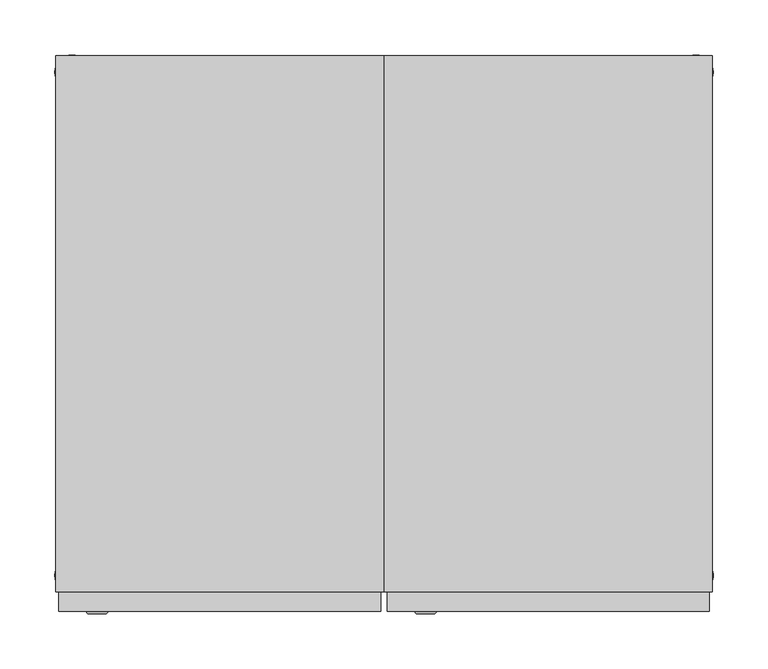
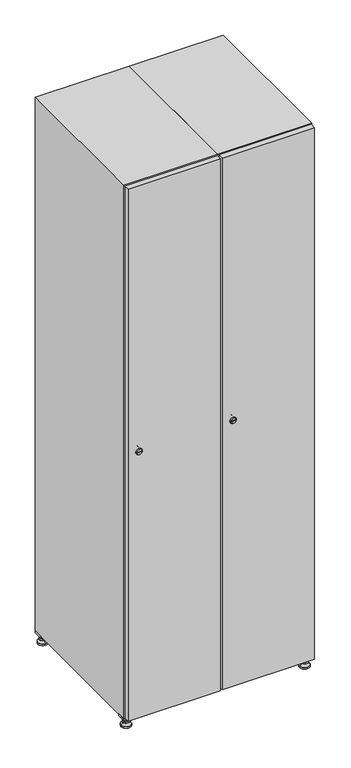
"""IFC4 building model written with IfcOpenShell, lengths in millimetres: furniture geometry."""

import ifcopenshell
import ifcopenshell.guid

model = None  # the IFC model being written
_history = None  # IfcOwnerHistory: only IFC2X3 demands one
_inside = {}  # id of a spatial element -> (the spatial element, [elements in it])
_under = {}  # id of a project, library or spatial element -> (it, [spatial elements below it])
_declared = {}  # id of a project -> (the project, [libraries it declares])
_typed = {}  # id of a type object -> (the type object, [elements of that type])
_made_of = {}  # id of a material, layer set ... -> (it, [elements and type objects made of it])


def new_model(schema):
    """Start an empty IFC model of exactly this schema.

    Asked for "IFC4X3", IfcOpenShell would pick the latest addendum, in which some entities
    have other attributes; the version numbers below select the first issue.
    IFC2X3 requires an IfcOwnerHistory on every rooted entity: one is made here for all.
    """
    global model, _history
    if schema == "IFC4X3":
        model = ifcopenshell.file(schema_version=(4, 3, 0, 0))
    else:
        model = ifcopenshell.file(schema=schema)
    _inside.clear()
    _under.clear()
    _declared.clear()
    _typed.clear()
    _made_of.clear()
    _history = None
    if model.schema == "IFC2X3":
        org = make("IfcOrganization", Name="unknown")
        user = make(
            "IfcPersonAndOrganization",
            ThePerson=make("IfcPerson", FamilyName="unknown"),
            TheOrganization=org,
        )
        app = make(
            "IfcApplication",
            ApplicationDeveloper=org,
            Version="unknown",
            ApplicationFullName="unknown",
            ApplicationIdentifier="unknown",
        )
        _history = make(
            "IfcOwnerHistory",
            OwningUser=user,
            OwningApplication=app,
            ChangeAction="ADDED",
            CreationDate=0,
        )
    return model


def make(cls, **values):
    """One entity of the class cls with the attributes given. An attribute that is None is left unset."""
    return model.create_entity(
        cls, **{name: value for name, value in values.items() if value is not None}
    )


def rooted(cls, **values):
    """An entity with a GlobalId (a new one), such as an element, a storey or a relation."""
    return make(cls, GlobalId=ifcopenshell.guid.new(), OwnerHistory=_history, **values)


def si_unit(unit_type, name, prefix=None):
    """IfcSIUnit, for example si_unit("LENGTHUNIT", "METRE", prefix="MILLI")."""
    return make("IfcSIUnit", UnitType=unit_type, Prefix=prefix, Name=name)


def assignment(units):
    """IfcUnitAssignment: the units of a project."""
    return None if units is None else make("IfcUnitAssignment", Units=units)


def point(xyz):
    """IfcCartesianPoint."""
    return None if xyz is None else make("IfcCartesianPoint", Coordinates=xyz)


def direction(xyz):
    """IfcDirection."""
    return None if xyz is None else make("IfcDirection", DirectionRatios=xyz)


def frame(location, z_axis=None, x_axis=None):
    """IfcAxis2Placement3D, a coordinate frame: its origin and axes. An axis left out is left unset."""
    return make(
        "IfcAxis2Placement3D",
        Location=point(location),
        Axis=direction(z_axis),
        RefDirection=direction(x_axis),
    )


def frame_2d(location, x_axis=None):
    """IfcAxis2Placement2D, a coordinate frame in the plane: its origin and x axis."""
    return make(
        "IfcAxis2Placement2D", Location=point(location), RefDirection=direction(x_axis)
    )


def origin():
    """The frame at (0, 0, 0) with its axes left unset."""
    return frame((0.0, 0.0, 0.0))


def origin_with_axes():
    """The frame at (0, 0, 0) with the z axis (0, 0, 1) and the x axis (1, 0, 0) written out."""
    return frame((0.0, 0.0, 0.0), z_axis=(0.0, 0.0, 1.0), x_axis=(1.0, 0.0, 0.0))


def place(relative_to, where):
    """IfcLocalPlacement: puts the frame where relative to a parent placement (None: the world)."""
    return make(
        "IfcLocalPlacement", PlacementRelTo=relative_to, RelativePlacement=where
    )


def context(
    kind, dimensions, precision=None, world=None, true_north=None, identifier=None
):
    """IfcGeometricRepresentationContext, for example the 3D "Model" context."""
    return make(
        "IfcGeometricRepresentationContext",
        ContextIdentifier=identifier,
        ContextType=kind,
        CoordinateSpaceDimension=dimensions,
        Precision=precision,
        WorldCoordinateSystem=world,
        TrueNorth=true_north,
    )


def project(units=None, contexts=None):
    """IfcProject with its units and contexts."""
    return rooted(
        "IfcProject",
        Name="project",
        RepresentationContexts=contexts,
        UnitsInContext=assignment(units),
    )


def spatial(cls, under=None, at=None, **own):
    """A site, building, storey or space (cls), placed at a placement, below another one or the project."""
    s = rooted(cls, ObjectPlacement=at, **own)
    if under is not None:
        _under.setdefault(under.id(), (under, []))[1].append(s)
    return s


def polyline(points):
    """IfcPolyline through the points."""
    return make("IfcPolyline", Points=[point(p) for p in points])


def circle_curve(where, radius):
    """IfcCircle in the frame where."""
    return make("IfcCircle", Position=where, Radius=radius)


def trimmed(basis, trim1, trim2, sense, master):
    """IfcTrimmedCurve: the piece of a basis curve between two trims."""
    return make(
        "IfcTrimmedCurve",
        BasisCurve=basis,
        Trim1=trim1,
        Trim2=trim2,
        SenseAgreement=sense,
        MasterRepresentation=master,
    )


def segment(curve, same_sense, transition):
    """IfcCompositeCurveSegment."""
    return make(
        "IfcCompositeCurveSegment",
        Transition=transition,
        SameSense=same_sense,
        ParentCurve=curve,
    )


def composite_curve(segments, self_intersect=None):
    """IfcCompositeCurve: segments joined end to end."""
    return make("IfcCompositeCurve", Segments=segments, SelfIntersect=self_intersect)


def outline(outer, holes=None, kind="AREA"):
    """IfcArbitraryClosedProfileDef: a profile drawn as a closed curve; with holes, ...WithVoids."""
    if holes is None:
        return make("IfcArbitraryClosedProfileDef", ProfileType=kind, OuterCurve=outer)
    return make(
        "IfcArbitraryProfileDefWithVoids",
        ProfileType=kind,
        OuterCurve=outer,
        InnerCurves=holes,
    )


def extrude(swept, where, along, depth):
    """IfcExtrudedAreaSolid: the profile swept, set in the frame where, extruded along a direction by depth."""
    return make(
        "IfcExtrudedAreaSolid",
        SweptArea=swept,
        Position=where,
        ExtrudedDirection=direction(along),
        Depth=depth,
    )


def faces_of(points, faces, orient=None, outer=None):
    """IfcFace entities. A face is a list of loops; a loop is a list of indices into points, from 0.

    orient and outer hold one flag for each loop. By default every Orientation is true, the
    first loop of a face is its IfcFaceOuterBound and the others are IfcFaceBound.
    """
    made = []
    for i, loops in enumerate(faces):
        bounds = []
        for j, loop in enumerate(loops):
            is_outer = j == 0 if outer is None else outer[i][j]
            bounds.append(
                make(
                    "IfcFaceOuterBound" if is_outer else "IfcFaceBound",
                    Bound=make("IfcPolyLoop", Polygon=[points[k] for k in loop]),
                    Orientation=True if orient is None else orient[i][j],
                )
            )
        made.append(make("IfcFace", Bounds=bounds))
    return made


def faceted_brep(points, faces, orient=None, outer=None, voids=None):
    """IfcFacetedBrep: a solid bounded by flat faces; with voids (closed shells), ...WithVoids."""
    shared = [point(p) for p in points]
    hull = make("IfcClosedShell", CfsFaces=faces_of(shared, faces, orient, outer))
    if voids is None:
        return make("IfcFacetedBrep", Outer=hull)
    return make(
        "IfcFacetedBrepWithVoids",
        Outer=hull,
        Voids=[
            make(cls, CfsFaces=faces_of(shared, fs, o, b)) for cls, fs, o, b in voids
        ],
    )


def shape(context_of_items, identifier, shape_type, items):
    """IfcShapeRepresentation: the items that make up one representation, for example the "Body"."""
    return make(
        "IfcShapeRepresentation",
        ContextOfItems=context_of_items,
        RepresentationIdentifier=identifier,
        RepresentationType=shape_type,
        Items=items,
    )


def source(mapping_origin, context_of_items, identifier, shape_type, items):
    """IfcRepresentationMap: a shape defined once, which mapped items show again and again."""
    return make(
        "IfcRepresentationMap",
        MappingOrigin=mapping_origin,
        MappedRepresentation=shape(context_of_items, identifier, shape_type, items),
    )


def transform(
    local_origin,
    x_axis=None,
    y_axis=None,
    z_axis=None,
    scale=None,
    scale2=None,
    scale3=None,
    uniform=True,
):
    """IfcCartesianTransformationOperator3D, or its non-uniform kind. x_axis, y_axis, z_axis: its Axis1, 2, 3."""
    if uniform:
        return make(
            "IfcCartesianTransformationOperator3D",
            Axis1=direction(x_axis),
            Axis2=direction(y_axis),
            LocalOrigin=point(local_origin),
            Scale=scale,
            Axis3=direction(z_axis),
        )
    return make(
        "IfcCartesianTransformationOperator3DnonUniform",
        Axis1=direction(x_axis),
        Axis2=direction(y_axis),
        LocalOrigin=point(local_origin),
        Scale=scale,
        Axis3=direction(z_axis),
        Scale2=scale2,
        Scale3=scale3,
    )


def mapped(mapping_source, mapping_target):
    """IfcMappedItem: shows the shape of a source again, moved by a transform."""
    return make(
        "IfcMappedItem", MappingSource=mapping_source, MappingTarget=mapping_target
    )


def made_of(thing, what):
    """Note that an element or type object is made of a material, layer set ...; save() writes the relation."""
    if what is not None:
        _made_of.setdefault(what.id(), (what, []))[1].append(thing)
    return thing


def element(
    cls,
    number,
    at=None,
    inside=None,
    cuts=None,
    type_object=None,
    material=None,
    context=None,
    identifier="Body",
    shape_type=None,
    held_by="IfcProductDefinitionShape",
    body=None,
    shapes=None,
    **own,
):
    """One element of the class cls, such as IfcWall. Its Tag is "e" and its number.

    at: its placement. inside: the storey or other place that contains it. cuts: it is an
    opening in that element (IfcRelVoidsElement). A single representation is given by context,
    identifier, shape_type and body (its items); several are given by shapes. held_by: the class
    of the entity that holds the representations. save() writes the other relations.
    """
    e = rooted(cls, Tag="e%d" % number, ObjectPlacement=at, **own)
    if body is not None:
        shapes = [shape(context, identifier, shape_type, body)]
    if shapes is not None:
        e.Representation = make(held_by, Representations=shapes)
    if inside is not None:
        _inside.setdefault(inside.id(), (inside, []))[1].append(e)
    if cuts is not None:
        rooted(
            "IfcRelVoidsElement", RelatingBuildingElement=cuts, RelatedOpeningElement=e
        )
    if type_object is not None:
        _typed.setdefault(type_object.id(), (type_object, []))[1].append(e)
    return made_of(e, material)


def aggregate(whole, parts):
    """IfcRelAggregates: a whole, such as a stair, and the parts it consists of."""
    return rooted("IfcRelAggregates", RelatingObject=whole, RelatedObjects=parts)


def save(model, path):
    """Write the relations noted so far, then the file.

    IfcRelAggregates (storeys below a building ...), IfcRelContainedInSpatialStructure (elements
    in a storey), IfcRelDefinesByType, IfcRelAssociatesMaterial and IfcRelDeclares: one each for
    every whole, place, type object, material and project.
    """
    for whole, parts in _under.values():
        aggregate(whole, parts)
    for where, things in _inside.values():
        rooted(
            "IfcRelContainedInSpatialStructure",
            RelatedElements=things,
            RelatingStructure=where,
        )
    for kind, things in _typed.values():
        rooted("IfcRelDefinesByType", RelatedObjects=things, RelatingType=kind)
    for what, things in _made_of.values():
        rooted("IfcRelAssociatesMaterial", RelatedObjects=things, RelatingMaterial=what)
    for by, libraries in _declared.values():
        rooted("IfcRelDeclares", RelatingContext=by, RelatedDefinitions=libraries)
    model.write(path)


def plane_surface(at):
    """IfcPlane: the flat surface through the origin of the frame at, square to its z axis."""
    return make("IfcPlane", Position=at)


def revolved_surface(curve, axis_point, axis_direction):
    """IfcSurfaceOfRevolution: the curve turned about the line through axis_point along axis_direction."""
    return make(
        "IfcSurfaceOfRevolution",
        SweptCurve=make("IfcArbitraryOpenProfileDef", ProfileType="CURVE", Curve=curve),
        AxisPosition=make("IfcAxis1Placement", Location=point(axis_point), Axis=direction(axis_direction)),
    )


def advanced_brep(points, edges, surfaces, faces):
    """IfcAdvancedBrep: a solid bounded by faces that lie on surfaces and meet in shared edges.

    An edge is (start, end): straight between two places in points (the first is 0);
    or (start, end, curve); or (start, end, curve, False) where it runs against its curve.
    A face is (place in surfaces, loops), or (place, loops, False) where it looks against
    its surface's normal. A loop lists edges by number (the first is 1), with a minus sign
    where the edge is run from its end to its start. The first loop is the outer one.
    """
    corners = [point(p) for p in points]
    vertices = [make("IfcVertexPoint", VertexGeometry=c) for c in corners]
    made = []
    for start, end, *more in edges:
        made.append(
            make(
                "IfcEdgeCurve",
                EdgeStart=vertices[start],
                EdgeEnd=vertices[end],
                EdgeGeometry=more[0] if more else make("IfcPolyline", Points=[corners[start], corners[end]]),
                SameSense=more[1] if len(more) > 1 else True,
            )
        )
    hull = []
    for where, loops, *sense in faces:
        bounds = []
        for j, loop in enumerate(loops):
            ring = [make("IfcOrientedEdge", EdgeElement=made[abs(k) - 1], Orientation=k > 0) for k in loop]
            bounds.append(
                make(
                    "IfcFaceOuterBound" if j == 0 else "IfcFaceBound",
                    Bound=make("IfcEdgeLoop", EdgeList=ring),
                    Orientation=True,
                )
            )
        hull.append(make("IfcAdvancedFace", Bounds=bounds, FaceSurface=surfaces[where], SameSense=sense[0] if sense else True))
    return make("IfcAdvancedBrep", Outer=make("IfcClosedShell", CfsFaces=hull))


def furniture_4d35fc6d(model_context):
    return source(origin(), model_context, "Body", "SolidModel", [
        extrude(outline(polyline([(400.0, 245.0), (400.0, 215.0), (370.0, 215.0), (370.0, 245.0), (400.0, 245.0)]), holes=[polyline([(398.0, 243.0), (372.0, 243.0), (372.0, 217.0), (398.0, 217.0), (398.0, 243.0)])]), frame((0.0, 0.0, 28.5), z_axis=(0.0, 0.0, 1.0), x_axis=(1.0, 0.0, 0.0)), (0.0, 0.0, 1.0), 6.5),
        extrude(outline(polyline([(370.0, -245.0), (370.0, -215.0), (400.0, -215.0), (400.0, -245.0), (370.0, -245.0)]), holes=[polyline([(372.0, -243.0), (398.0, -243.0), (398.0, -217.0), (372.0, -217.0), (372.0, -243.0)])]), frame((0.0, 0.0, 28.5), z_axis=(0.0, 0.0, 1.0), x_axis=(1.0, 0.0, 0.0)), (0.0, 0.0, 1.0), 6.5),
        extrude(outline(polyline([(-170.0, 245.0), (-170.0, 215.0), (-200.0, 215.0), (-200.0, 245.0), (-170.0, 245.0)]), holes=[polyline([(-172.0, 243.0), (-198.0, 243.0), (-198.0, 217.0), (-172.0, 217.0), (-172.0, 243.0)])]), frame((0.0, 0.0, 28.5), z_axis=(0.0, 0.0, 1.0), x_axis=(1.0, 0.0, 0.0)), (0.0, 0.0, 1.0), 6.5),
        extrude(outline(polyline([(-170.0, -215.0), (-170.0, -245.0), (-200.0, -245.0), (-200.0, -215.0), (-170.0, -215.0)]), holes=[polyline([(-198.0, -243.0), (-172.0, -243.0), (-172.0, -217.0), (-198.0, -217.0), (-198.0, -243.0)])]), frame((0.0, 0.0, 28.5), z_axis=(0.0, 0.0, 1.0), x_axis=(1.0, 0.0, 0.0)), (0.0, 0.0, 1.0), 6.5),
        extrude(outline(composite_curve([segment(trimmed(circle_curve(frame_2d((-185.0, 230.0)), 5.0), [point((-180.0, 230.0))], [point((-190.0, 230.0))], False, "CARTESIAN"), True, "CONTINUOUS"), segment(trimmed(circle_curve(frame_2d((-185.0, 230.0)), 5.0), [point((-190.0, 230.0))], [point((-180.0, 230.0))], False, "CARTESIAN"), True, "CONTINUOUS")], self_intersect=False)), frame((0.0, 0.0, 19.6), z_axis=(0.0, 0.0, 1.0), x_axis=(1.0, 0.0, 0.0)), (0.0, 0.0, 1.0), 15.4),
        extrude(outline(composite_curve([segment(trimmed(circle_curve(frame_2d((-185.0, -230.0)), 5.0), [point((-180.0, -230.0))], [point((-190.0, -230.0))], False, "CARTESIAN"), True, "CONTINUOUS"), segment(trimmed(circle_curve(frame_2d((-185.0, -230.0)), 5.0), [point((-190.0, -230.0))], [point((-180.0, -230.0))], False, "CARTESIAN"), True, "CONTINUOUS")], self_intersect=False)), frame((0.0, 0.0, 19.6), z_axis=(0.0, 0.0, 1.0), x_axis=(1.0, 0.0, 0.0)), (0.0, 0.0, 1.0), 15.4),
        extrude(outline(composite_curve([segment(trimmed(circle_curve(frame_2d((385.0, 230.0)), 5.0), [point((390.0, 230.0))], [point((380.0, 230.0))], False, "CARTESIAN"), True, "CONTINUOUS"), segment(trimmed(circle_curve(frame_2d((385.0, 230.0)), 5.0), [point((380.0, 230.0))], [point((390.0, 230.0))], False, "CARTESIAN"), True, "CONTINUOUS")], self_intersect=False)), frame((0.0, 0.0, 19.6), z_axis=(0.0, 0.0, 1.0), x_axis=(1.0, 0.0, 0.0)), (0.0, 0.0, 1.0), 15.4),
        extrude(outline(polyline([(373.4529946, 230.0), (379.2264973, 240.0), (390.7735027, 240.0), (396.5470054, 230.0), (390.7735027, 220.0), (379.2264973, 220.0), (373.4529946, 230.0)])), frame((0.0, 0.0, 13.6), z_axis=(0.0, 0.0, 1.0), x_axis=(1.0, 0.0, 0.0)), (0.0, 0.0, 1.0), 6.0),
        extrude(outline(composite_curve([segment(trimmed(circle_curve(frame_2d((385.0, -230.0)), 5.0), [point((390.0, -230.0))], [point((380.0, -230.0))], False, "CARTESIAN"), True, "CONTINUOUS"), segment(trimmed(circle_curve(frame_2d((385.0, -230.0)), 5.0), [point((380.0, -230.0))], [point((390.0, -230.0))], False, "CARTESIAN"), True, "CONTINUOUS")], self_intersect=False)), frame((0.0, 0.0, 19.6), z_axis=(0.0, 0.0, 1.0), x_axis=(1.0, 0.0, 0.0)), (0.0, 0.0, 1.0), 15.4),
        extrude(outline(polyline([(373.4529946, -230.0), (379.2264973, -220.0), (390.7735027, -220.0), (396.5470054, -230.0), (390.7735027, -240.0), (379.2264973, -240.0), (373.4529946, -230.0)])), frame((0.0, 0.0, 13.6), z_axis=(0.0, 0.0, 1.0), x_axis=(1.0, 0.0, 0.0)), (0.0, 0.0, 1.0), 6.0),
        extrude(outline(composite_curve([segment(trimmed(circle_curve(frame_2d((385.0, 230.0)), 5.0), [point((390.0, 230.0))], [point((380.0, 230.0))], False, "CARTESIAN"), True, "CONTINUOUS"), segment(trimmed(circle_curve(frame_2d((385.0, 230.0)), 5.0), [point((380.0, 230.0))], [point((390.0, 230.0))], False, "CARTESIAN"), True, "CONTINUOUS")], self_intersect=False)), frame((0.0, 0.0, 12.1), z_axis=(0.0, 0.0, 1.0), x_axis=(1.0, 0.0, 0.0)), (0.0, 0.0, 1.0), 1.5),
        extrude(outline(composite_curve([segment(trimmed(circle_curve(frame_2d((385.0, -230.0)), 5.0), [point((390.0, -230.0))], [point((380.0, -230.0))], False, "CARTESIAN"), True, "CONTINUOUS"), segment(trimmed(circle_curve(frame_2d((385.0, -230.0)), 5.0), [point((380.0, -230.0))], [point((390.0, -230.0))], False, "CARTESIAN"), True, "CONTINUOUS")], self_intersect=False)), frame((0.0, 0.0, 12.1), z_axis=(0.0, 0.0, 1.0), x_axis=(1.0, 0.0, 0.0)), (0.0, 0.0, 1.0), 1.5),
        extrude(outline(polyline([(-196.5470054, 230.0), (-190.7735027, 240.0), (-179.2264973, 240.0), (-173.4529946, 230.0), (-179.2264973, 220.0), (-190.7735027, 220.0), (-196.5470054, 230.0)])), frame((0.0, 0.0, 13.6), z_axis=(0.0, 0.0, 1.0), x_axis=(1.0, 0.0, 0.0)), (0.0, 0.0, 1.0), 6.0),
        extrude(outline(polyline([(-196.5470054, -230.0), (-190.7735027, -220.0), (-179.2264973, -220.0), (-173.4529946, -230.0), (-179.2264973, -240.0), (-190.7735027, -240.0), (-196.5470054, -230.0)])), frame((0.0, 0.0, 13.6), z_axis=(0.0, 0.0, 1.0), x_axis=(1.0, 0.0, 0.0)), (0.0, 0.0, 1.0), 6.0),
        extrude(outline(composite_curve([segment(trimmed(circle_curve(frame_2d((-185.0, 230.0)), 5.0), [point((-185.0, 235.0))], [point((-185.0, 225.0))], False, "CARTESIAN"), True, "CONTINUOUS"), segment(trimmed(circle_curve(frame_2d((-185.0, 230.0)), 5.0), [point((-185.0, 225.0))], [point((-185.0, 235.0))], False, "CARTESIAN"), True, "CONTINUOUS")], self_intersect=False)), frame((0.0, 0.0, 12.1), z_axis=(0.0, 0.0, 1.0), x_axis=(1.0, 0.0, 0.0)), (0.0, 0.0, 1.0), 1.5),
        extrude(outline(composite_curve([segment(trimmed(circle_curve(frame_2d((-185.0, -230.0)), 5.0), [point((-180.0, -230.0))], [point((-190.0, -230.0))], False, "CARTESIAN"), True, "CONTINUOUS"), segment(trimmed(circle_curve(frame_2d((-185.0, -230.0)), 5.0), [point((-190.0, -230.0))], [point((-180.0, -230.0))], False, "CARTESIAN"), True, "CONTINUOUS")], self_intersect=False)), frame((0.0, 0.0, 12.1), z_axis=(0.0, 0.0, 1.0), x_axis=(1.0, 0.0, 0.0)), (0.0, 0.0, 1.0), 1.5),
        extrude(outline(composite_curve([segment(trimmed(circle_curve(frame_2d((385.0, 230.0)), 15.75), [point((400.75, 230.0))], [point((369.25, 230.0))], False, "CARTESIAN"), True, "CONTINUOUS"), segment(trimmed(circle_curve(frame_2d((385.0, 230.0)), 15.75), [point((369.25, 230.0))], [point((400.75, 230.0))], False, "CARTESIAN"), True, "CONTINUOUS")], self_intersect=False)), origin_with_axes(), (0.0, 0.0, 1.0), 5.1),
        extrude(outline(composite_curve([segment(trimmed(circle_curve(frame_2d((385.0, -230.0)), 15.75), [point((385.0, -214.25))], [point((385.0, -245.75))], False, "CARTESIAN"), True, "CONTINUOUS"), segment(trimmed(circle_curve(frame_2d((385.0, -230.0)), 15.75), [point((385.0, -245.75))], [point((385.0, -214.25))], False, "CARTESIAN"), True, "CONTINUOUS")], self_intersect=False)), origin_with_axes(), (0.0, 0.0, 1.0), 5.1),
        extrude(outline(composite_curve([segment(trimmed(circle_curve(frame_2d((-185.0, -230.0)), 15.75), [point((-169.25, -230.0))], [point((-200.75, -230.0))], False, "CARTESIAN"), True, "CONTINUOUS"), segment(trimmed(circle_curve(frame_2d((-185.0, -230.0)), 15.75), [point((-200.75, -230.0))], [point((-169.25, -230.0))], False, "CARTESIAN"), True, "CONTINUOUS")], self_intersect=False)), origin_with_axes(), (0.0, 0.0, 1.0), 5.1),
        extrude(outline(composite_curve([segment(trimmed(circle_curve(frame_2d((-185.0, 230.0)), 15.75), [point((-169.25, 230.0))], [point((-200.75, 230.0))], False, "CARTESIAN"), True, "CONTINUOUS"), segment(trimmed(circle_curve(frame_2d((-185.0, 230.0)), 15.75), [point((-200.75, 230.0))], [point((-169.25, 230.0))], False, "CARTESIAN"), True, "CONTINUOUS")], self_intersect=False)), origin_with_axes(), (0.0, 0.0, 1.0), 5.1),
        advanced_brep(
        [(-185.0, 239.5, 12.1), (-185.0, 220.5, 12.1), (-185.0, 214.25, 5.1), (-185.0, 245.75, 5.1)],
        [
            (0, 1, circle_curve(frame((-185.0, 230.0, 12.1), z_axis=(0.0, 0.0, -1.0), x_axis=(0.0, 1.0, 0.0)), 9.5)),
            (1, 2),
            (2, 3, circle_curve(frame((-185.0, 230.0, 5.1), z_axis=(0.0, 0.0, 1.0), x_axis=(0.0, 1.0, 0.0)), 15.75)),
            (3, 0),
            (1, 0, circle_curve(frame((-185.0, 230.0, 12.1), z_axis=(0.0, 0.0, -1.0), x_axis=(0.0, -1.0, 0.0)), 9.5)),
            (3, 2, circle_curve(frame((-185.0, 230.0, 5.1), z_axis=(0.0, 0.0, 1.0), x_axis=(0.0, -1.0, 0.0)), 15.75)),
        ],
        [
            revolved_surface(polyline([(-185.0, 220.5, 12.099999999999998), (-185.0, 214.25, 5.099999999999998)]), (-185.0, 230.0, 22.74), (0.0, 0.0, -1.0)),
            revolved_surface(polyline([(-185.0, 239.5, 12.099999999999998), (-185.0, 245.75, 5.099999999999998)]), (-185.0, 230.0, 22.74), (0.0, 0.0, -1.0)),
            plane_surface(frame((-185.0, 230.0, 5.1), z_axis=(0.0, 0.0, -1.0), x_axis=(1.0, 0.0, 0.0))),
            plane_surface(frame((-185.0, 230.0, 12.1), z_axis=(0.0, 0.0, 1.0), x_axis=(1.0, 0.0, 0.0))),
        ],
        [
            (0, [[1, 2, 3, 4]]),
            (1, [[5, -4, 6, -2]]),
            (2, [[-3, -6]]),
            (3, [[-5, -1]]),
        ],
    ),
        advanced_brep(
        [(385.0, 239.5, 12.1), (385.0, 220.5, 12.1), (385.0, 214.25, 5.1), (385.0, 245.75, 5.1)],
        [
            (0, 1, circle_curve(frame((385.0, 230.0, 12.1), z_axis=(0.0, 0.0, -1.0), x_axis=(0.0, 1.0, 0.0)), 9.5)),
            (1, 2),
            (2, 3, circle_curve(frame((385.0, 230.0, 5.1), z_axis=(0.0, 0.0, 1.0), x_axis=(0.0, 1.0, 0.0)), 15.75)),
            (3, 0),
            (1, 0, circle_curve(frame((385.0, 230.0, 12.1), z_axis=(0.0, 0.0, -1.0), x_axis=(0.0, -1.0, 0.0)), 9.5)),
            (3, 2, circle_curve(frame((385.0, 230.0, 5.1), z_axis=(0.0, 0.0, 1.0), x_axis=(0.0, -1.0, 0.0)), 15.75)),
        ],
        [
            revolved_surface(polyline([(385.0, 220.5, 12.099999999999998), (385.0, 214.25, 5.099999999999998)]), (385.0, 230.0, 22.74), (0.0, 0.0, -1.0)),
            revolved_surface(polyline([(385.0, 239.5, 12.099999999999998), (385.0, 245.75, 5.099999999999998)]), (385.0, 230.0, 22.74), (0.0, 0.0, -1.0)),
            plane_surface(frame((385.0, 230.0, 5.1), z_axis=(0.0, 0.0, -1.0), x_axis=(1.0, 0.0, 0.0))),
            plane_surface(frame((385.0, 230.0, 12.1), z_axis=(0.0, 0.0, 1.0), x_axis=(1.0, 0.0, 0.0))),
        ],
        [
            (0, [[1, 2, 3, 4]]),
            (1, [[5, -4, 6, -2]]),
            (2, [[-3, -6]]),
            (3, [[-5, -1]]),
        ],
    ),
        advanced_brep(
        [(400.75, -230.0, 5.1), (369.25, -230.0, 5.1), (375.5, -230.0, 12.1), (394.5, -230.0, 12.1)],
        [
            (0, 1, circle_curve(frame((385.0, -230.0, 5.1), z_axis=(0.0, 0.0, 1.0), x_axis=(1.0, 0.0, 0.0)), 15.75)),
            (1, 2),
            (2, 3, circle_curve(frame((385.0, -230.0, 12.1), z_axis=(0.0, 0.0, -1.0), x_axis=(1.0, 0.0, 0.0)), 9.5)),
            (3, 0),
            (1, 0, circle_curve(frame((385.0, -230.0, 5.1), z_axis=(0.0, 0.0, 1.0), x_axis=(-1.0, 0.0, 0.0)), 15.75)),
            (3, 2, circle_curve(frame((385.0, -230.0, 12.1), z_axis=(0.0, 0.0, -1.0), x_axis=(-1.0, 0.0, 0.0)), 9.5)),
        ],
        [
            revolved_surface(polyline([(394.5, -230.0, 12.099999999999998), (400.75, -230.0, 5.099999999999998)]), (385.0, -230.0, 22.74), (0.0, 0.0, -1.0)),
            revolved_surface(polyline([(375.5, -230.0, 12.099999999999998), (369.25, -230.0, 5.099999999999998)]), (385.0, -230.0, 22.74), (0.0, 0.0, -1.0)),
            plane_surface(frame((385.0, -230.0, 12.1), z_axis=(0.0, 0.0, 1.0), x_axis=(0.0, 1.0, 0.0))),
            plane_surface(frame((385.0, -230.0, 5.1), z_axis=(0.0, 0.0, -1.0), x_axis=(0.0, 1.0, 0.0))),
        ],
        [
            (0, [[1, 2, 3, 4]]),
            (1, [[5, -4, 6, -2]]),
            (2, [[-3, -6]]),
            (3, [[-5, -1]]),
        ],
    ),
        advanced_brep(
        [(-169.25, -230.0, 5.1), (-200.75, -230.0, 5.1), (-194.5, -230.0, 12.1), (-175.5, -230.0, 12.1)],
        [
            (0, 1, circle_curve(frame((-185.0, -230.0, 5.1), z_axis=(0.0, 0.0, 1.0), x_axis=(1.0, 0.0, 0.0)), 15.75)),
            (1, 2),
            (2, 3, circle_curve(frame((-185.0, -230.0, 12.1), z_axis=(0.0, 0.0, -1.0), x_axis=(1.0, 0.0, 0.0)), 9.5)),
            (3, 0),
            (1, 0, circle_curve(frame((-185.0, -230.0, 5.1), z_axis=(0.0, 0.0, 1.0), x_axis=(-1.0, 0.0, 0.0)), 15.75)),
            (3, 2, circle_curve(frame((-185.0, -230.0, 12.1), z_axis=(0.0, 0.0, -1.0), x_axis=(-1.0, 0.0, 0.0)), 9.5)),
        ],
        [
            revolved_surface(polyline([(-175.5, -230.0, 12.099999999999998), (-169.25, -230.0, 5.099999999999998)]), (-185.0, -230.0, 22.74), (0.0, 0.0, -1.0)),
            revolved_surface(polyline([(-194.5, -230.0, 12.099999999999998), (-200.75, -230.0, 5.099999999999998)]), (-185.0, -230.0, 22.74), (0.0, 0.0, -1.0)),
            plane_surface(frame((-185.0, -230.0, 12.1), z_axis=(0.0, 0.0, 1.0), x_axis=(0.0, 1.0, 0.0))),
            plane_surface(frame((-185.0, -230.0, 5.1), z_axis=(0.0, 0.0, -1.0), x_axis=(0.0, 1.0, 0.0))),
        ],
        [
            (0, [[1, 2, 3, 4]]),
            (1, [[5, -4, 6, -2]]),
            (2, [[-3, -6]]),
            (3, [[-5, -1]]),
        ],
    ),
        extrude(outline(composite_curve([segment(trimmed(circle_curve(frame_2d((935.0, 111.2010534)), 7.0), [point((942.0, 111.2010534))], [point((928.0, 111.2010534))], False, "CARTESIAN"), True, "CONTINUOUS"), segment(polyline([(928.0, 111.2010534), (928.0, 139.2010534)]), True, "CONTINUOUS"), segment(trimmed(circle_curve(frame_2d((935.0, 139.2010534)), 7.0), [point((928.0, 139.2010534))], [point((942.0, 139.2010534))], False, "CARTESIAN"), True, "CONTINUOUS"), segment(polyline([(942.0, 139.2010534), (942.0, 111.2010534)]), True, "CONTINUOUS")], self_intersect=False)), frame((0.0, -245.0, 0.0), z_axis=(0.0, 1.0, 0.0), x_axis=(0.0, 0.0, 1.0)), (0.0, 0.0, 1.0), 2.0),
        advanced_brep(
        [(146.5, -265.2, 935.0), (129.5, -265.2, 935.0), (133.0, -265.2, 933.75), (133.0, -265.2, 936.25), (143.0, -265.2, 936.25), (143.0, -265.2, 933.75), (148.5, -263.0, 935.0), (127.5, -263.0, 935.0), (133.0, -263.0, 936.25), (133.0, -263.0, 933.75), (143.0, -263.0, 933.75), (143.0, -263.0, 936.25)],
        [
            (0, 1, circle_curve(frame((138.0, -265.2, 935.0), z_axis=(0.0, -1.0, 0.0), x_axis=(1.0, 0.0, 0.0)), 8.5)),
            (1, 0, circle_curve(frame((138.0, -265.2, 935.0), z_axis=(0.0, -1.0, 0.0), x_axis=(-1.0, 0.0, 0.0)), 8.5)),
            (2, 3),
            (3, 4),
            (4, 5),
            (5, 2),
            (6, 7, circle_curve(frame((138.0, -263.0, 935.0), z_axis=(0.0, 1.0, 0.0), x_axis=(-1.0, 0.0, 0.0)), 10.5)),
            (7, 6, circle_curve(frame((138.0, -263.0, 935.0), z_axis=(0.0, 1.0, 0.0), x_axis=(1.0, 0.0, 0.0)), 10.5)),
            (8, 9),
            (9, 10),
            (10, 11),
            (11, 8),
            (0, 6),
            (7, 1),
            (8, 3),
            (2, 9),
            (11, 4),
            (10, 5),
        ],
        [
            plane_surface(frame((138.0, -265.2, 935.0), z_axis=(0.0, -1.0, 0.0), x_axis=(0.0, 0.0, 1.0))),
            plane_surface(frame((138.0, -263.0, 935.0), z_axis=(0.0, 1.0, 0.0), x_axis=(0.0, 0.0, 1.0))),
            revolved_surface(polyline([(146.5, -265.2, 935.0), (148.5, -263.0, 935.0)]), (138.0, -274.55, 935.0), (0.0, 1.0, 0.0)),
            revolved_surface(polyline([(129.5, -265.2, 935.0), (127.5, -263.0, 935.0)]), (138.0, -274.55, 935.0), (0.0, 1.0, 0.0)),
            plane_surface(frame((133.0, -263.0, 933.75), z_axis=(1.0, 0.0, 0.0), x_axis=(0.0, -1.0, 0.0))),
            plane_surface(frame((133.0, -263.0, 936.25), z_axis=(0.0, 0.0, -1.0), x_axis=(0.0, -1.0, 0.0))),
            plane_surface(frame((143.0, -263.0, 936.25), z_axis=(-1.0, 0.0, 0.0), x_axis=(0.0, -1.0, 0.0))),
            plane_surface(frame((143.0, -263.0, 933.75), z_axis=(0.0, 0.0, 1.0), x_axis=(0.0, -1.0, 0.0))),
        ],
        [
            (0, [[1, 2], [3, 4, 5, 6]]),
            (1, [[7, 8], [9, 10, 11, 12]]),
            (2, [[-1, 13, -8, 14]]),
            (3, [[-2, -14, -7, -13]]),
            (4, [[15, -3, 16, -9]]),
            (5, [[-15, -12, 17, -4]]),
            (6, [[-17, -11, 18, -5]]),
            (7, [[-16, -6, -18, -10]]),
        ],
    ),
        extrude(outline(polyline([(397.0, -245.0), (397.0, -263.0), (103.0, -263.0), (103.0, -245.0), (397.0, -245.0)])), frame((0.0, 0.0, 38.0), z_axis=(0.0, 0.0, 1.0), x_axis=(1.0, 0.0, 0.0)), (0.0, 0.0, 1.0), 1794.0),
        faceted_brep([(400.0, -245.0, 35.0), (400.0, -245.0, 1835.0), (100.0, -245.0, 1835.0), (100.0, -245.0, 35.0), (379.6, -245.0, 1804.8), (379.6, -245.0, 65.2), (120.4, -245.0, 65.2), (120.4, -245.0, 1804.8), (400.0, 245.0, 35.0), (100.0, 245.0, 35.0), (400.0, 245.0, 1835.0), (100.0, 245.0, 1835.0), (379.6, 242.0, 1804.8), (379.6, 242.0, 65.2), (100.0, 245.0, 1804.8), (120.4, 242.0, 1804.8), (120.4, 242.0, 65.2)], [[[0, 1, 2, 3], [4, 5, 6, 7]], [[8, 0, 3, 9]], [[1, 0, 8, 10]], [[1, 10, 11, 2]], [[4, 12, 13, 5]], [[9, 3, 2, 11, 14]], [[10, 8, 9, 14, 11]], [[12, 15, 16, 13]], [[15, 7, 6, 16]], [[4, 7, 15, 12]], [[6, 5, 13, 16]]]),
        extrude(outline(composite_curve([segment(trimmed(circle_curve(frame_2d((935.0, -188.7989466)), 7.0), [point((942.0, -188.7989466))], [point((928.0, -188.7989466))], False, "CARTESIAN"), True, "CONTINUOUS"), segment(polyline([(928.0, -188.7989466), (928.0, -160.7989466)]), True, "CONTINUOUS"), segment(trimmed(circle_curve(frame_2d((935.0, -160.7989466)), 7.0), [point((928.0, -160.7989466))], [point((942.0, -160.7989466))], False, "CARTESIAN"), True, "CONTINUOUS"), segment(polyline([(942.0, -160.7989466), (942.0, -188.7989466)]), True, "CONTINUOUS")], self_intersect=False)), frame((0.0, -245.0, 0.0), z_axis=(0.0, 1.0, 0.0), x_axis=(0.0, 0.0, 1.0)), (0.0, 0.0, 1.0), 2.0),
        advanced_brep(
        [(-153.5, -265.2, 935.0), (-170.5, -265.2, 935.0), (-167.0, -265.2, 933.75), (-167.0, -265.2, 936.25), (-157.0, -265.2, 936.25), (-157.0, -265.2, 933.75), (-151.5, -263.0, 935.0), (-172.5, -263.0, 935.0), (-167.0, -263.0, 936.25), (-167.0, -263.0, 933.75), (-157.0, -263.0, 933.75), (-157.0, -263.0, 936.25)],
        [
            (0, 1, circle_curve(frame((-162.0, -265.2, 935.0), z_axis=(0.0, -1.0, 0.0), x_axis=(1.0, 0.0, 0.0)), 8.5)),
            (1, 0, circle_curve(frame((-162.0, -265.2, 935.0), z_axis=(0.0, -1.0, 0.0), x_axis=(-1.0, 0.0, 0.0)), 8.5)),
            (2, 3),
            (3, 4),
            (4, 5),
            (5, 2),
            (6, 7, circle_curve(frame((-162.0, -263.0, 935.0), z_axis=(0.0, 1.0, 0.0), x_axis=(-1.0, 0.0, 0.0)), 10.5)),
            (7, 6, circle_curve(frame((-162.0, -263.0, 935.0), z_axis=(0.0, 1.0, 0.0), x_axis=(1.0, 0.0, 0.0)), 10.5)),
            (8, 9),
            (9, 10),
            (10, 11),
            (11, 8),
            (0, 6),
            (7, 1),
            (8, 3),
            (2, 9),
            (11, 4),
            (10, 5),
        ],
        [
            plane_surface(frame((-162.0, -265.2, 935.0), z_axis=(0.0, -1.0, 0.0), x_axis=(0.0, 0.0, 1.0))),
            plane_surface(frame((-162.0, -263.0, 935.0), z_axis=(0.0, 1.0, 0.0), x_axis=(0.0, 0.0, 1.0))),
            revolved_surface(polyline([(-153.5, -265.2, 935.0), (-151.5, -263.0, 935.0)]), (-162.0, -274.55, 935.0), (0.0, 1.0, 0.0)),
            revolved_surface(polyline([(-170.5, -265.2, 935.0), (-172.5, -263.0, 935.0)]), (-162.0, -274.55, 935.0), (0.0, 1.0, 0.0)),
            plane_surface(frame((-167.0, -263.0, 933.75), z_axis=(1.0, 0.0, 0.0), x_axis=(0.0, -1.0, 0.0))),
            plane_surface(frame((-167.0, -263.0, 936.25), z_axis=(0.0, 0.0, -1.0), x_axis=(0.0, -1.0, 0.0))),
            plane_surface(frame((-157.0, -263.0, 936.25), z_axis=(-1.0, 0.0, 0.0), x_axis=(0.0, -1.0, 0.0))),
            plane_surface(frame((-157.0, -263.0, 933.75), z_axis=(0.0, 0.0, 1.0), x_axis=(0.0, -1.0, 0.0))),
        ],
        [
            (0, [[1, 2], [3, 4, 5, 6]]),
            (1, [[7, 8], [9, 10, 11, 12]]),
            (2, [[-1, 13, -8, 14]]),
            (3, [[-2, -14, -7, -13]]),
            (4, [[15, -3, 16, -9]]),
            (5, [[-15, -12, 17, -4]]),
            (6, [[-17, -11, 18, -5]]),
            (7, [[-16, -6, -18, -10]]),
        ],
    ),
        extrude(outline(polyline([(97.0, -245.0), (97.0, -263.0), (-197.0, -263.0), (-197.0, -245.0), (97.0, -245.0)])), frame((0.0, 0.0, 38.0), z_axis=(0.0, 0.0, 1.0), x_axis=(1.0, 0.0, 0.0)), (0.0, 0.0, 1.0), 1794.0),
        faceted_brep([(100.0, -245.0, 35.0), (100.0, -245.0, 1835.0), (-200.0, -245.0, 1835.0), (-200.0, -245.0, 35.0), (79.6, -245.0, 1804.8), (79.6, -245.0, 65.2), (-179.6, -245.0, 65.2), (-179.6, -245.0, 1804.8), (100.0, 245.0, 35.0), (-200.0, 245.0, 35.0), (100.0, 245.0, 1835.0), (-200.0, 245.0, 1835.0), (79.6, 242.0, 1804.8), (79.6, 242.0, 65.2), (-200.0, 245.0, 1804.8), (-179.6, 242.0, 1804.8), (-179.6, 242.0, 65.2)], [[[0, 1, 2, 3], [4, 5, 6, 7]], [[8, 0, 3, 9]], [[1, 0, 8, 10]], [[1, 10, 11, 2]], [[4, 12, 13, 5]], [[9, 3, 2, 11, 14]], [[10, 8, 9, 14, 11]], [[12, 15, 16, 13]], [[15, 7, 6, 16]], [[4, 7, 15, 12]], [[6, 5, 13, 16]]]),
    ])


if __name__ == "__main__":
    model = new_model("IFC4")
    model_context = context("Model", 3, world=origin())
    ifc_project = project(units=[si_unit("LENGTHUNIT", "METRE", prefix="MILLI")], contexts=[model_context])
    site = spatial("IfcSite", under=ifc_project)
    building = spatial("IfcBuilding", under=site)
    placement = place(None, origin())
    furniture_shape = furniture_4d35fc6d(model_context)
    element("IfcFurniture", 1, at=placement, inside=building, context=model_context, shape_type="MappedRepresentation", body=[
        mapped(furniture_shape, transform((0.0, 0.0, 0.0), x_axis=(1.0, 0.0, 0.0), y_axis=(0.0, 1.0, 0.0), z_axis=(0.0, 0.0, 1.0))),
    ])
    save(model, "model.ifc")
